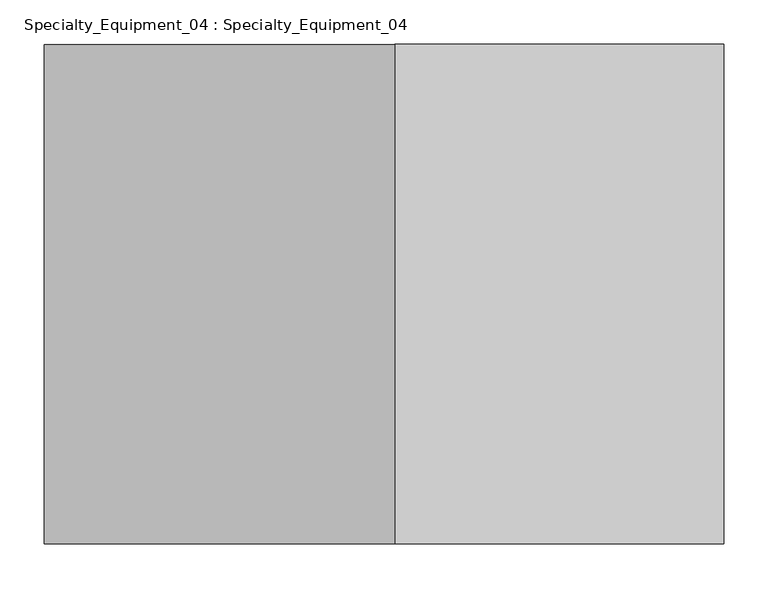
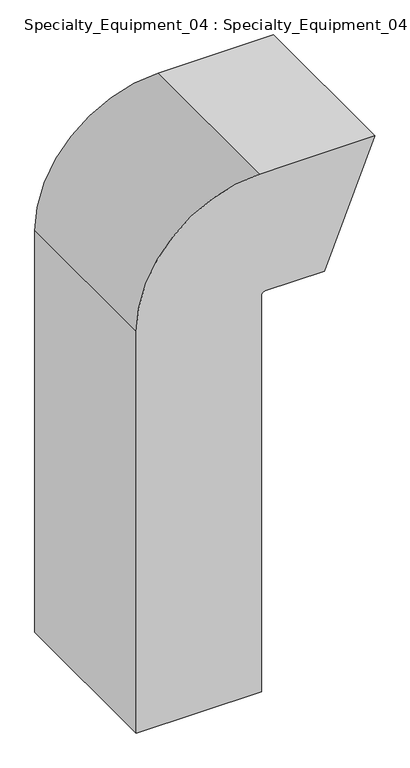
"""IFC4 building model written with IfcOpenShell, lengths in millimetres: proxy geometry, Specialty_Equipment_04 : Specialty_Equipment_04."""

from ifc_helpers import new_model, si_unit, point, frame, frame_2d, origin, place, context, project, spatial, polyline, circle_curve, trimmed, segment, composite_curve, outline, extrude, source, transform, mapped, element, save


def specialty_equipment_04_specialty_equipment_04_d19998e5(model_context):
    return source(origin(), model_context, "Body", "SweptSolid", [
        extrude(outline(composite_curve([segment(polyline([(1446.8578164, 244.1881351), (1847.2158048, 405.9432622), (1847.2158048, 36.7217483)]), True, "CONTINUOUS"), segment(trimmed(circle_curve(frame_2d((1453.5158048, 36.7217483)), 393.7), [point((1847.2158048, 36.7217483))], [point((1453.5158048, -356.9782517))], False, "CARTESIAN"), True, "CONTINUOUS"), segment(polyline([(1453.5158048, -356.9782517), (98.3329689, -356.9782517), (98.3329689, 42.1876398), (1434.1578164, 42.1876398)]), True, "CONTINUOUS"), segment(trimmed(circle_curve(frame_2d((1434.1578164, 54.8876398)), 12.7), [point((1434.1578164, 42.1876398))], [point((1446.8578164, 54.8876398))], True, "CARTESIAN"), True, "CONTINUOUS"), segment(polyline([(1446.8578164, 54.8876398), (1446.8578164, 244.1881351)]), True, "CONTINUOUS")], self_intersect=False)), frame((0.0, -280.6368946, 0.0), z_axis=(0.0, 1.0, 0.0), x_axis=(0.0, 0.0, 1.0)), (0.0, 0.0, 1.0), 561.6961038),
    ])


if __name__ == "__main__":
    model = new_model("IFC4")
    model_context = context("Model", 3, world=origin())
    ifc_project = project(units=[si_unit("LENGTHUNIT", "METRE", prefix="MILLI")], contexts=[model_context])
    site = spatial("IfcSite", under=ifc_project)
    building = spatial("IfcBuilding", under=site)
    placement = place(None, origin())
    specialty_equipment_04_specialty_equipment_04_shape = specialty_equipment_04_specialty_equipment_04_d19998e5(model_context)
    element("IfcBuildingElementProxy", 1, Name="Specialty_Equipment_04 : Specialty_Equipment_04", ObjectType="Specialty_Equipment_04 : Specialty_Equipment_04", at=placement, inside=building, context=model_context, shape_type="MappedRepresentation", body=[
        mapped(specialty_equipment_04_specialty_equipment_04_shape, transform((0.0, 0.0, 0.0), x_axis=(1.0, 0.0, 0.0), y_axis=(0.0, 1.0, 0.0), z_axis=(0.0, 0.0, 1.0))),
    ])
    save(model, "model.ifc")
